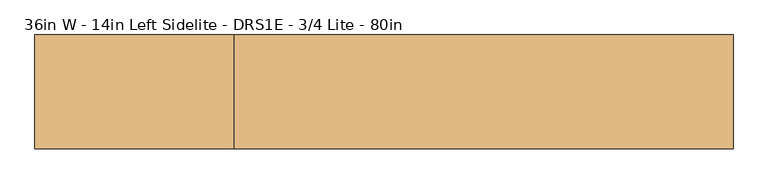
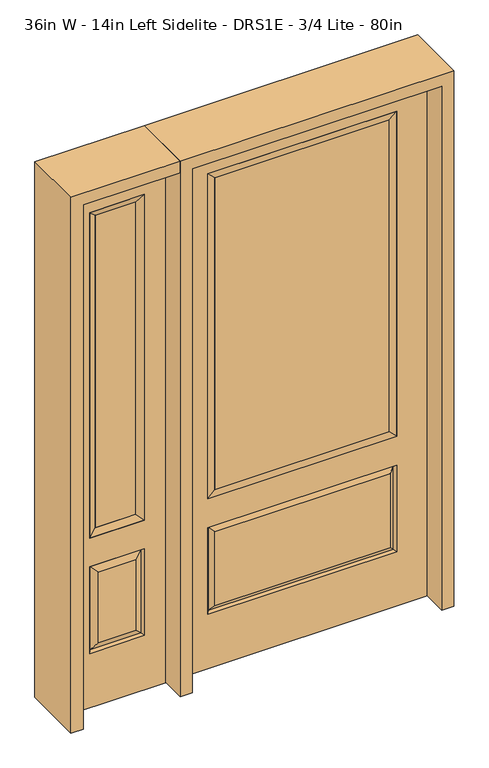
"""IFC4 building model written with IfcOpenShell, lengths in millimetres: door geometry, 36in W - 14in Left Sidelite - DRS1E - 3/4 Lite - 80in."""

from ifc_helpers import new_model, si_unit, frame, origin, place, context, project, spatial, polyline, outline, extrude, faceted_brep, source, transform, mapped, element, save


def door_36in_w_14in_left_sidelite_drs1e_3_4_lite_80in_f22b5cdb(model_context):
    return source(origin(), model_context, "Body", "SolidModel", [
        faceted_brep([(-857.25, -22.225, 0.0), (-501.65, -22.225, 0.0), (-501.65, -22.225, 2032.0), (-857.25, -22.225, 2032.0), (-579.12, -22.225, 1919.224), (-579.12, -22.225, 657.098), (-779.78, -22.225, 657.098), (-779.78, -22.225, 1919.224), (-579.12, -22.225, 209.55), (-779.78, -22.225, 209.55), (-779.78, -22.225, 546.1), (-579.12, -22.225, 546.1), (-748.0648999, -22.225, 241.2651001), (-610.8351001, -22.225, 241.2651001), (-610.8351001, -22.225, 514.3848999), (-748.0648999, -22.225, 514.3848999), (-857.25, 22.225, 0.0), (-857.25, 22.225, 2032.0), (-501.65, 22.225, 2032.0), (-501.65, 22.225, 0.0), (-579.12, 22.225, 1919.224), (-779.78, 22.225, 1919.224), (-779.78, 22.225, 657.098), (-579.12, 22.225, 657.098), (-779.78, 22.225, 209.55), (-579.12, 22.225, 209.55), (-579.12, 22.225, 546.1), (-779.78, 22.225, 546.1), (-610.8351001, 22.225, 241.2651001), (-748.0648999, 22.225, 241.2651001), (-748.0648999, 22.225, 514.3848999), (-610.8351001, 22.225, 514.3848999), (-586.2288501, 12.7912373, 216.6588501), (-772.6711499, 12.7912373, 216.6588501), (-772.6711499, 12.7912373, 538.9911499), (-586.2288501, 12.7912373, 538.9911499), (-772.6711499, -12.7912373, 216.6588501), (-586.2288501, -12.7912373, 216.6588501), (-772.6711499, -12.7912373, 538.9911499), (-586.2288501, -12.7912373, 538.9911499)], [[[0, 1, 2, 3], [4, 5, 6, 7], [8, 9, 10, 11]], [[12, 13, 14, 15]], [[16, 17, 18, 19], [20, 21, 22, 23], [24, 25, 26, 27]], [[28, 29, 30, 31]], [[1, 0, 16, 19]], [[2, 1, 19, 18]], [[3, 2, 18, 17]], [[0, 3, 17, 16]], [[5, 4, 20, 23]], [[6, 5, 23, 22]], [[7, 6, 22, 21]], [[4, 7, 21, 20]], [[32, 33, 29, 28]], [[33, 32, 25, 24]], [[29, 33, 34, 30]], [[33, 24, 27, 34]], [[30, 34, 35, 31]], [[34, 27, 26, 35]], [[32, 28, 31, 35]], [[25, 32, 35, 26]], [[12, 36, 37, 13]], [[37, 36, 9, 8]], [[36, 12, 15, 38]], [[9, 36, 38, 10]], [[38, 15, 14, 39]], [[10, 38, 39, 11]], [[13, 37, 39, 14]], [[37, 8, 11, 39]]]),
        faceted_brep([(-779.78, 22.225, 1919.224), (-779.78, -22.225, 1919.224), (-579.12, -22.225, 1919.224), (-579.12, 22.225, 1919.224), (-754.38, 12.7, 1893.824), (-604.52, 12.7, 1893.824), (-754.38, -12.7, 1893.824), (-604.52, -12.7, 1893.824), (-579.12, -22.225, 657.098), (-579.12, 22.225, 657.098), (-604.52, 12.7, 682.498), (-604.52, -12.7, 682.498), (-779.78, -22.225, 657.098), (-779.78, 22.225, 657.098), (-754.38, 12.7, 682.498), (-754.38, -12.7, 682.498)], [[[0, 1, 2, 3]], [[4, 0, 3, 5]], [[6, 4, 5, 7]], [[1, 6, 7, 2]], [[3, 2, 8, 9]], [[5, 3, 9, 10]], [[7, 5, 10, 11]], [[2, 7, 11, 8]], [[9, 8, 12, 13]], [[10, 9, 13, 14]], [[11, 10, 14, 15]], [[8, 11, 15, 12]], [[13, 12, 1, 0]], [[14, 13, 0, 4]], [[15, 14, 4, 6]], [[12, 15, 6, 1]]]),
        extrude(outline(polyline([(-604.52, -12.7), (-754.38, -12.7), (-754.38, 12.7), (-604.52, 12.7), (-604.52, -12.7)])), frame((0.0, 0.0, 682.498), z_axis=(0.0, 0.0, 1.0), x_axis=(1.0, 0.0, 0.0)), (0.0, 0.0, 1.0), 1211.326),
        faceted_brep([(-338.9661499, -12.7912373, 216.6588501), (338.9661499, -12.7912373, 216.6588501), (321.46875, -22.225, 234.15625), (-321.46875, -22.225, 234.15625), (-346.075, -22.225, 209.55), (346.075, -22.225, 209.55), (-338.9661499, -12.7912373, 538.9911499), (-346.075, -22.225, 546.1), (321.46875, -22.225, 521.49375), (-321.46875, -22.225, 521.49375), (457.2, -22.225, 2032.0), (-457.2, -22.225, 2032.0), (-457.2, -22.225, 0.0), (457.2, -22.225, 0.0), (346.075, -22.225, 546.1), (346.075, -22.225, 1917.7), (346.075, -22.225, 657.098), (-346.075, -22.225, 657.098), (-346.075, -22.225, 1917.7), (338.9661499, -12.7912373, 538.9911499), (-457.2, 22.225, 2032.0), (-457.2, 22.225, 0.0), (457.2, 22.225, 0.0), (457.2, 22.225, 2032.0), (346.075, 22.225, 1917.7), (346.075, 22.225, 657.098), (-346.075, 22.225, 657.098), (-346.075, 22.225, 1917.7), (-346.075, 22.225, 209.55), (346.075, 22.225, 209.55), (346.075, 22.225, 546.1), (-346.075, 22.225, 546.1), (321.46875, 22.225, 234.15625), (-321.46875, 22.225, 234.15625), (-321.46875, 22.225, 521.49375), (321.46875, 22.225, 521.49375), (-338.9661499, 12.7912373, 216.6588501), (338.9661499, 12.7912373, 216.6588501), (338.9661499, 12.7912373, 538.9911499), (-338.9661499, 12.7912373, 538.9911499)], [[[0, 1, 2, 3]], [[1, 0, 4, 5]], [[4, 0, 6, 7]], [[3, 2, 8, 9]], [[10, 11, 12, 13], [5, 4, 7, 14], [15, 16, 17, 18]], [[1, 5, 14, 19]], [[2, 1, 19, 8]], [[0, 3, 9, 6]], [[7, 6, 19, 14]], [[6, 9, 8, 19]], [[12, 11, 20, 21]], [[13, 12, 21, 22]], [[10, 13, 22, 23]], [[16, 15, 24, 25]], [[17, 16, 25, 26]], [[18, 17, 26, 27]], [[23, 22, 21, 20], [28, 29, 30, 31], [24, 27, 26, 25]], [[32, 33, 34, 35]], [[28, 36, 37, 29]], [[29, 37, 38, 30]], [[39, 31, 30, 38]], [[36, 28, 31, 39]], [[37, 36, 33, 32]], [[33, 36, 39, 34]], [[34, 39, 38, 35]], [[37, 32, 35, 38]], [[11, 10, 23, 20]], [[15, 18, 27, 24]]]),
        faceted_brep([(-346.075, -22.225, 1917.7), (-346.075, 22.225, 1917.7), (-346.075, 22.225, 657.098), (-346.075, -22.225, 657.098), (346.075, 22.225, 657.098), (346.075, -22.225, 657.098), (-320.675, 5.08, 682.498), (320.675, 5.08, 682.498), (346.075, 22.225, 1917.7), (346.075, -22.225, 1917.7), (-320.675, -20.32, 682.498), (320.675, -20.32, 682.498), (-320.675, -20.32, 1892.3), (320.675, -20.32, 1892.3), (-320.675, 5.08, 1892.3), (320.675, 5.08, 1892.3)], [[[0, 1, 2, 3]], [[3, 2, 4, 5]], [[2, 6, 7, 4]], [[5, 4, 8, 9]], [[10, 3, 5, 11]], [[12, 0, 3, 10]], [[11, 5, 9, 13]], [[6, 10, 11, 7]], [[14, 12, 10, 6]], [[7, 11, 13, 15]], [[1, 14, 6, 2]], [[4, 7, 15, 8]], [[9, 8, 1, 0]], [[13, 9, 0, 12]], [[15, 13, 12, 14]], [[8, 15, 14, 1]]]),
        extrude(outline(polyline([(320.675, -20.32), (-320.675, -20.32), (-320.675, 5.08), (320.675, 5.08), (320.675, -20.32)])), frame((0.0, 0.0, 682.498), z_axis=(0.0, 0.0, 1.0), x_axis=(1.0, 0.0, 0.0)), (0.0, 0.0, 1.0), 1209.802),
        extrude(outline(polyline([(2032.0, -501.65), (2076.45, -501.65), (2076.45, -901.7), (0.0, -901.7), (0.0, -857.25), (2032.0, -857.25), (2032.0, -501.65)])), frame((0.0, -114.3, 0.0), z_axis=(0.0, 1.0, 0.0), x_axis=(0.0, 0.0, 1.0)), (0.0, 0.0, 1.0), 228.6),
        extrude(outline(polyline([(2076.45, -501.65), (0.0, -501.65), (0.0, -457.2), (2032.0, -457.2), (2032.0, 457.2), (0.0, 457.2), (0.0, 501.65), (2076.45, 501.65), (2076.45, -501.65)])), frame((0.0, -114.3, 0.0), z_axis=(0.0, 1.0, 0.0), x_axis=(0.0, 0.0, 1.0)), (0.0, 0.0, 1.0), 228.6),
    ])


if __name__ == "__main__":
    model = new_model("IFC4")
    model_context = context("Model", 3, world=origin())
    ifc_project = project(units=[si_unit("LENGTHUNIT", "METRE", prefix="MILLI")], contexts=[model_context])
    site = spatial("IfcSite", under=ifc_project)
    building = spatial("IfcBuilding", under=site)
    placement = place(None, origin())
    door_36in_w_14in_left_sidelite_drs1e_3_4_lite_80in_shape = door_36in_w_14in_left_sidelite_drs1e_3_4_lite_80in_f22b5cdb(model_context)
    element("IfcDoor", 1, ObjectType="36in W - 14in Left Sidelite - DRS1E - 3/4 Lite - 80in", at=placement, inside=building, context=model_context, shape_type="MappedRepresentation", body=[
        mapped(door_36in_w_14in_left_sidelite_drs1e_3_4_lite_80in_shape, transform((0.0, 0.0, 0.0), x_axis=(1.0, 0.0, 0.0), y_axis=(0.0, 1.0, 0.0), z_axis=(0.0, 0.0, 1.0))),
    ])
    save(model, "model.ifc")
